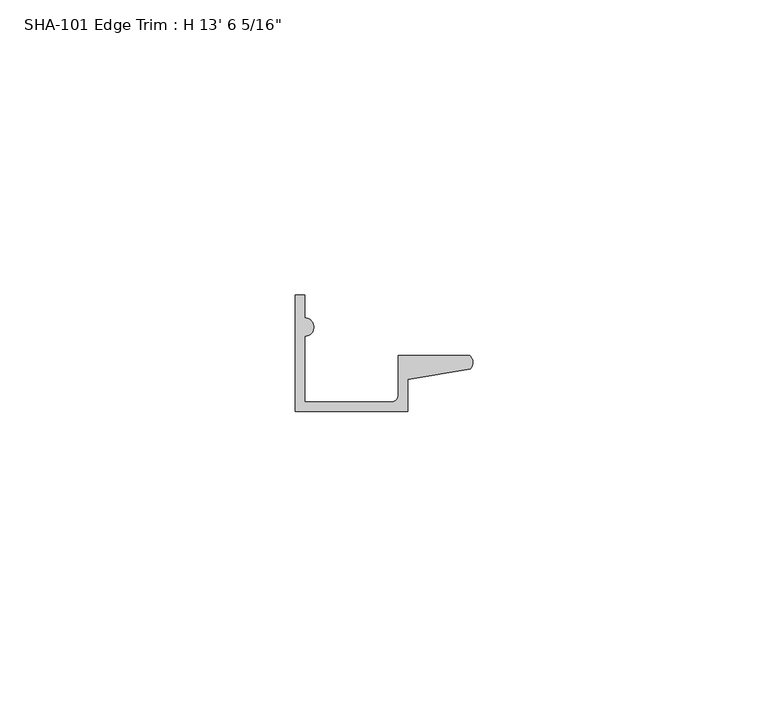
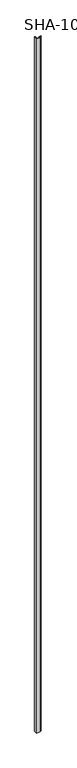
"""IFC4 building model written with IfcOpenShell, lengths in millimetres: proxy geometry."""

import ifcopenshell
import ifcopenshell.guid

model = None  # the IFC model being written
_history = None  # IfcOwnerHistory: only IFC2X3 demands one
_inside = {}  # id of a spatial element -> (the spatial element, [elements in it])
_under = {}  # id of a project, library or spatial element -> (it, [spatial elements below it])
_declared = {}  # id of a project -> (the project, [libraries it declares])
_typed = {}  # id of a type object -> (the type object, [elements of that type])
_made_of = {}  # id of a material, layer set ... -> (it, [elements and type objects made of it])


def new_model(schema):
    """Start an empty IFC model of exactly this schema.

    Asked for "IFC4X3", IfcOpenShell would pick the latest addendum, in which some entities
    have other attributes; the version numbers below select the first issue.
    IFC2X3 requires an IfcOwnerHistory on every rooted entity: one is made here for all.
    """
    global model, _history
    if schema == "IFC4X3":
        model = ifcopenshell.file(schema_version=(4, 3, 0, 0))
    else:
        model = ifcopenshell.file(schema=schema)
    _inside.clear()
    _under.clear()
    _declared.clear()
    _typed.clear()
    _made_of.clear()
    _history = None
    if model.schema == "IFC2X3":
        org = make("IfcOrganization", Name="unknown")
        user = make(
            "IfcPersonAndOrganization",
            ThePerson=make("IfcPerson", FamilyName="unknown"),
            TheOrganization=org,
        )
        app = make(
            "IfcApplication",
            ApplicationDeveloper=org,
            Version="unknown",
            ApplicationFullName="unknown",
            ApplicationIdentifier="unknown",
        )
        _history = make(
            "IfcOwnerHistory",
            OwningUser=user,
            OwningApplication=app,
            ChangeAction="ADDED",
            CreationDate=0,
        )
    return model


def make(cls, **values):
    """One entity of the class cls with the attributes given. An attribute that is None is left unset."""
    return model.create_entity(
        cls, **{name: value for name, value in values.items() if value is not None}
    )


def rooted(cls, **values):
    """An entity with a GlobalId (a new one), such as an element, a storey or a relation."""
    return make(cls, GlobalId=ifcopenshell.guid.new(), OwnerHistory=_history, **values)


def si_unit(unit_type, name, prefix=None):
    """IfcSIUnit, for example si_unit("LENGTHUNIT", "METRE", prefix="MILLI")."""
    return make("IfcSIUnit", UnitType=unit_type, Prefix=prefix, Name=name)


def assignment(units):
    """IfcUnitAssignment: the units of a project."""
    return None if units is None else make("IfcUnitAssignment", Units=units)


def point(xyz):
    """IfcCartesianPoint."""
    return None if xyz is None else make("IfcCartesianPoint", Coordinates=xyz)


def direction(xyz):
    """IfcDirection."""
    return None if xyz is None else make("IfcDirection", DirectionRatios=xyz)


def frame(location, z_axis=None, x_axis=None):
    """IfcAxis2Placement3D, a coordinate frame: its origin and axes. An axis left out is left unset."""
    return make(
        "IfcAxis2Placement3D",
        Location=point(location),
        Axis=direction(z_axis),
        RefDirection=direction(x_axis),
    )


def frame_2d(location, x_axis=None):
    """IfcAxis2Placement2D, a coordinate frame in the plane: its origin and x axis."""
    return make(
        "IfcAxis2Placement2D", Location=point(location), RefDirection=direction(x_axis)
    )


def origin():
    """The frame at (0, 0, 0) with its axes left unset."""
    return frame((0.0, 0.0, 0.0))


def origin_with_axes():
    """The frame at (0, 0, 0) with the z axis (0, 0, 1) and the x axis (1, 0, 0) written out."""
    return frame((0.0, 0.0, 0.0), z_axis=(0.0, 0.0, 1.0), x_axis=(1.0, 0.0, 0.0))


def place(relative_to, where):
    """IfcLocalPlacement: puts the frame where relative to a parent placement (None: the world)."""
    return make(
        "IfcLocalPlacement", PlacementRelTo=relative_to, RelativePlacement=where
    )


def context(
    kind, dimensions, precision=None, world=None, true_north=None, identifier=None
):
    """IfcGeometricRepresentationContext, for example the 3D "Model" context."""
    return make(
        "IfcGeometricRepresentationContext",
        ContextIdentifier=identifier,
        ContextType=kind,
        CoordinateSpaceDimension=dimensions,
        Precision=precision,
        WorldCoordinateSystem=world,
        TrueNorth=true_north,
    )


def project(units=None, contexts=None):
    """IfcProject with its units and contexts."""
    return rooted(
        "IfcProject",
        Name="project",
        RepresentationContexts=contexts,
        UnitsInContext=assignment(units),
    )


def spatial(cls, under=None, at=None, **own):
    """A site, building, storey or space (cls), placed at a placement, below another one or the project."""
    s = rooted(cls, ObjectPlacement=at, **own)
    if under is not None:
        _under.setdefault(under.id(), (under, []))[1].append(s)
    return s


def polyline(points):
    """IfcPolyline through the points."""
    return make("IfcPolyline", Points=[point(p) for p in points])


def circle_curve(where, radius):
    """IfcCircle in the frame where."""
    return make("IfcCircle", Position=where, Radius=radius)


def trimmed(basis, trim1, trim2, sense, master):
    """IfcTrimmedCurve: the piece of a basis curve between two trims."""
    return make(
        "IfcTrimmedCurve",
        BasisCurve=basis,
        Trim1=trim1,
        Trim2=trim2,
        SenseAgreement=sense,
        MasterRepresentation=master,
    )


def segment(curve, same_sense, transition):
    """IfcCompositeCurveSegment."""
    return make(
        "IfcCompositeCurveSegment",
        Transition=transition,
        SameSense=same_sense,
        ParentCurve=curve,
    )


def composite_curve(segments, self_intersect=None):
    """IfcCompositeCurve: segments joined end to end."""
    return make("IfcCompositeCurve", Segments=segments, SelfIntersect=self_intersect)


def outline(outer, holes=None, kind="AREA"):
    """IfcArbitraryClosedProfileDef: a profile drawn as a closed curve; with holes, ...WithVoids."""
    if holes is None:
        return make("IfcArbitraryClosedProfileDef", ProfileType=kind, OuterCurve=outer)
    return make(
        "IfcArbitraryProfileDefWithVoids",
        ProfileType=kind,
        OuterCurve=outer,
        InnerCurves=holes,
    )


def extrude(swept, where, along, depth):
    """IfcExtrudedAreaSolid: the profile swept, set in the frame where, extruded along a direction by depth."""
    return make(
        "IfcExtrudedAreaSolid",
        SweptArea=swept,
        Position=where,
        ExtrudedDirection=direction(along),
        Depth=depth,
    )


def shape(context_of_items, identifier, shape_type, items):
    """IfcShapeRepresentation: the items that make up one representation, for example the "Body"."""
    return make(
        "IfcShapeRepresentation",
        ContextOfItems=context_of_items,
        RepresentationIdentifier=identifier,
        RepresentationType=shape_type,
        Items=items,
    )


def source(mapping_origin, context_of_items, identifier, shape_type, items):
    """IfcRepresentationMap: a shape defined once, which mapped items show again and again."""
    return make(
        "IfcRepresentationMap",
        MappingOrigin=mapping_origin,
        MappedRepresentation=shape(context_of_items, identifier, shape_type, items),
    )


def transform(
    local_origin,
    x_axis=None,
    y_axis=None,
    z_axis=None,
    scale=None,
    scale2=None,
    scale3=None,
    uniform=True,
):
    """IfcCartesianTransformationOperator3D, or its non-uniform kind. x_axis, y_axis, z_axis: its Axis1, 2, 3."""
    if uniform:
        return make(
            "IfcCartesianTransformationOperator3D",
            Axis1=direction(x_axis),
            Axis2=direction(y_axis),
            LocalOrigin=point(local_origin),
            Scale=scale,
            Axis3=direction(z_axis),
        )
    return make(
        "IfcCartesianTransformationOperator3DnonUniform",
        Axis1=direction(x_axis),
        Axis2=direction(y_axis),
        LocalOrigin=point(local_origin),
        Scale=scale,
        Axis3=direction(z_axis),
        Scale2=scale2,
        Scale3=scale3,
    )


def mapped(mapping_source, mapping_target):
    """IfcMappedItem: shows the shape of a source again, moved by a transform."""
    return make(
        "IfcMappedItem", MappingSource=mapping_source, MappingTarget=mapping_target
    )


def made_of(thing, what):
    """Note that an element or type object is made of a material, layer set ...; save() writes the relation."""
    if what is not None:
        _made_of.setdefault(what.id(), (what, []))[1].append(thing)
    return thing


def element(
    cls,
    number,
    at=None,
    inside=None,
    cuts=None,
    type_object=None,
    material=None,
    context=None,
    identifier="Body",
    shape_type=None,
    held_by="IfcProductDefinitionShape",
    body=None,
    shapes=None,
    **own,
):
    """One element of the class cls, such as IfcWall. Its Tag is "e" and its number.

    at: its placement. inside: the storey or other place that contains it. cuts: it is an
    opening in that element (IfcRelVoidsElement). A single representation is given by context,
    identifier, shape_type and body (its items); several are given by shapes. held_by: the class
    of the entity that holds the representations. save() writes the other relations.
    """
    e = rooted(cls, Tag="e%d" % number, ObjectPlacement=at, **own)
    if body is not None:
        shapes = [shape(context, identifier, shape_type, body)]
    if shapes is not None:
        e.Representation = make(held_by, Representations=shapes)
    if inside is not None:
        _inside.setdefault(inside.id(), (inside, []))[1].append(e)
    if cuts is not None:
        rooted(
            "IfcRelVoidsElement", RelatingBuildingElement=cuts, RelatedOpeningElement=e
        )
    if type_object is not None:
        _typed.setdefault(type_object.id(), (type_object, []))[1].append(e)
    return made_of(e, material)


def aggregate(whole, parts):
    """IfcRelAggregates: a whole, such as a stair, and the parts it consists of."""
    return rooted("IfcRelAggregates", RelatingObject=whole, RelatedObjects=parts)


def save(model, path):
    """Write the relations noted so far, then the file.

    IfcRelAggregates (storeys below a building ...), IfcRelContainedInSpatialStructure (elements
    in a storey), IfcRelDefinesByType, IfcRelAssociatesMaterial and IfcRelDeclares: one each for
    every whole, place, type object, material and project.
    """
    for whole, parts in _under.values():
        aggregate(whole, parts)
    for where, things in _inside.values():
        rooted(
            "IfcRelContainedInSpatialStructure",
            RelatedElements=things,
            RelatingStructure=where,
        )
    for kind, things in _typed.values():
        rooted("IfcRelDefinesByType", RelatedObjects=things, RelatingType=kind)
    for what, things in _made_of.values():
        rooted("IfcRelAssociatesMaterial", RelatedObjects=things, RelatingMaterial=what)
    for by, libraries in _declared.values():
        rooted("IfcRelDeclares", RelatingContext=by, RelatedDefinitions=libraries)
    model.write(path)


def proxy_5d415e97(model_context):
    return source(origin(), model_context, "Body", "SweptSolid", [
        extrude(outline(composite_curve([segment(polyline([(1.5748, 12.7127), (1.5748, 1.5748), (16.1798, 1.5748)]), True, "CONTINUOUS"), segment(trimmed(circle_curve(frame_2d((16.1798, 2.8448)), 1.27), [point((16.1798, 1.5748))], [point((17.4498, 2.8448))], True, "CARTESIAN"), True, "CONTINUOUS"), segment(polyline([(17.4498, 2.8448), (17.4498, 9.525), (29.5346031, 9.525)]), True, "CONTINUOUS"), segment(trimmed(circle_curve(frame_2d((28.4438454, 8.3323235)), 1.6162393), [point((29.5346031, 9.525))], [point((29.6006869, 7.2036308))], False, "CARTESIAN"), True, "CONTINUOUS"), segment(polyline([(29.6006869, 7.2036308), (19.0246, 5.392657), (19.0246, 0.0), (0.0, 0.0), (0.0, 19.7327081), (1.5748, 19.7327081), (1.5748, 15.8623)]), True, "CONTINUOUS"), segment(trimmed(circle_curve(frame_2d((1.5748, 14.2875)), 1.5748), [point((1.5748, 15.8623))], [point((1.5748, 12.7127))], False, "CARTESIAN"), True, "CONTINUOUS")], self_intersect=False)), origin_with_axes(), (0.0, 0.0, 1.0), 4122.7375),
    ])


if __name__ == "__main__":
    model = new_model("IFC4")
    model_context = context("Model", 3, world=origin())
    ifc_project = project(units=[si_unit("LENGTHUNIT", "METRE", prefix="MILLI")], contexts=[model_context])
    site = spatial("IfcSite", under=ifc_project)
    building = spatial("IfcBuilding", under=site)
    placement = place(None, origin())
    proxy_shape = proxy_5d415e97(model_context)
    element("IfcBuildingElementProxy", 1, Name="SHA-101 Edge Trim : H 13' 6 5/16\"", ObjectType="SHA-101 Edge Trim : H 13' 6 5/16\"", at=placement, inside=building, context=model_context, shape_type="MappedRepresentation", body=[
        mapped(proxy_shape, transform((0.0, 0.0, 0.0), x_axis=(1.0, 0.0, 0.0), y_axis=(0.0, 1.0, 0.0), z_axis=(0.0, 0.0, 1.0))),
    ])
    save(model, "model.ifc")
